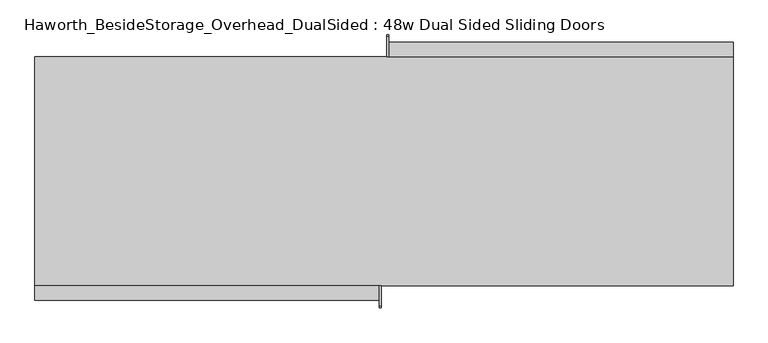
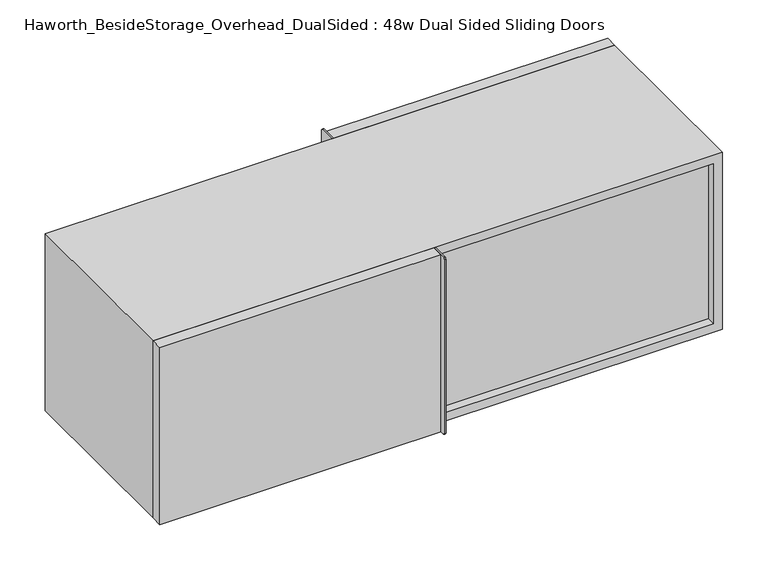
"""IFC4 building model written with IfcOpenShell, lengths in millimetres: furniture geometry, Haworth_BesideStorage_Overhead_DualSided : 48w Dual Sided Sliding Doors."""

from ifc_helpers import new_model, si_unit, point, frame, frame_2d, origin, place, context, project, spatial, polyline, circle_curve, trimmed, segment, composite_curve, outline, extrude, source, transform, mapped, element, save


def haworth_besidestorage_overhead_dualsided_48w_dual_sided_5fc2f0b9(model_context):
    return source(origin(), model_context, "Body", "SweptSolid", [
        extrude(outline(composite_curve([segment(polyline([(-3.175, 1162.05), (31.75, 1162.05)]), True, "CONTINUOUS"), segment(trimmed(circle_curve(frame_2d((31.75, 1158.875)), 3.175), [point((31.75, 1162.05))], [point((34.925, 1158.875))], False, "CARTESIAN"), True, "CONTINUOUS"), segment(polyline([(34.925, 1158.875), (34.925, 765.175)]), True, "CONTINUOUS"), segment(trimmed(circle_curve(frame_2d((31.75, 765.175)), 3.175), [point((34.925, 765.175))], [point((31.75, 762.0))], False, "CARTESIAN"), True, "CONTINUOUS"), segment(polyline([(31.75, 762.0), (-3.175, 762.0), (-3.175, 1162.05)]), True, "CONTINUOUS")], self_intersect=False)), frame((-68.0434159, 0.0, 0.0), z_axis=(1.0, 0.0, 0.0), x_axis=(0.0, 1.0, 0.0)), (0.0, 0.0, 1.0), 3.175),
        extrude(outline(polyline([(536.7940841, -3.175), (-64.8684159, -3.175), (-64.8684159, 22.225), (536.7940841, 22.225), (536.7940841, -3.175)])), frame((0.0, 0.0, 762.0), z_axis=(0.0, 0.0, 1.0), x_axis=(1.0, 0.0, 0.0)), (0.0, 0.0, 1.0), 400.05),
        extrude(outline(composite_curve([segment(polyline([(-403.225, 1162.05), (-403.225, 762.0), (-438.15, 762.0)]), True, "CONTINUOUS"), segment(trimmed(circle_curve(frame_2d((-438.15, 765.175)), 3.175), [point((-438.15, 762.0))], [point((-441.325, 765.175))], False, "CARTESIAN"), True, "CONTINUOUS"), segment(polyline([(-441.325, 765.175), (-441.325, 1158.875)]), True, "CONTINUOUS"), segment(trimmed(circle_curve(frame_2d((-438.15, 1158.875)), 3.175), [point((-441.325, 1158.875))], [point((-438.15, 1162.05))], False, "CARTESIAN"), True, "CONTINUOUS"), segment(polyline([(-438.15, 1162.05), (-403.225, 1162.05)]), True, "CONTINUOUS")], self_intersect=False)), frame((-80.7434159, 0.0, 0.0), z_axis=(1.0, 0.0, 0.0), x_axis=(0.0, 1.0, 0.0)), (0.0, 0.0, 1.0), 3.175),
        extrude(outline(polyline([(-682.4059159, -403.225), (-80.7434159, -403.225), (-80.7434159, -428.625), (-682.4059159, -428.625), (-682.4059159, -403.225)])), frame((0.0, 0.0, 762.0), z_axis=(0.0, 0.0, 1.0), x_axis=(1.0, 0.0, 0.0)), (0.0, 0.0, 1.0), 400.05),
        extrude(outline(polyline([(-64.8684159, -371.475), (517.7440841, -371.475), (517.7440841, -384.175), (-64.8684159, -384.175), (-64.8684159, -371.475)])), frame((0.0, 0.0, 781.05), z_axis=(0.0, 0.0, 1.0), x_axis=(1.0, 0.0, 0.0)), (0.0, 0.0, 1.0), 361.95),
        extrude(outline(polyline([(-663.3559159, -22.225), (-80.7434159, -22.225), (-80.7434159, -34.925), (-663.3559159, -34.925), (-663.3559159, -22.225)])), frame((0.0, 0.0, 781.05), z_axis=(0.0, 0.0, 1.0), x_axis=(1.0, 0.0, 0.0)), (0.0, 0.0, 1.0), 361.95),
        extrude(outline(polyline([(762.0, 536.7940841), (1162.05, 536.7940841), (1162.05, -682.4059159), (762.0, -682.4059159), (762.0, 536.7940841)]), holes=[polyline([(1143.0, -80.7434159), (781.05, -80.7434159), (781.05, -663.3559159), (1143.0, -663.3559159), (1143.0, -80.7434159)]), polyline([(781.05, 517.7440841), (781.05, -64.8684159), (1143.0, -64.8684159), (1143.0, 517.7440841), (781.05, 517.7440841)])]), frame((0.0, -403.225, 0.0), z_axis=(0.0, 1.0, 0.0), x_axis=(0.0, 0.0, 1.0)), (0.0, 0.0, 1.0), 400.05),
    ])


if __name__ == "__main__":
    model = new_model("IFC4")
    model_context = context("Model", 3, world=origin())
    ifc_project = project(units=[si_unit("LENGTHUNIT", "METRE", prefix="MILLI")], contexts=[model_context])
    site = spatial("IfcSite", under=ifc_project)
    building = spatial("IfcBuilding", under=site)
    placement = place(None, origin())
    haworth_besidestorage_overhead_dualsided_48w_dual_sided_shape = haworth_besidestorage_overhead_dualsided_48w_dual_sided_5fc2f0b9(model_context)
    element("IfcFurniture", 1, ObjectType="Haworth_BesideStorage_Overhead_DualSided : 48w Dual Sided Sliding Doors", at=placement, inside=building, context=model_context, shape_type="MappedRepresentation", body=[
        mapped(haworth_besidestorage_overhead_dualsided_48w_dual_sided_shape, transform((0.0, 0.0, 0.0), x_axis=(1.0, 0.0, 0.0), y_axis=(0.0, 1.0, 0.0), z_axis=(0.0, 0.0, 1.0))),
    ])
    save(model, "model.ifc")
